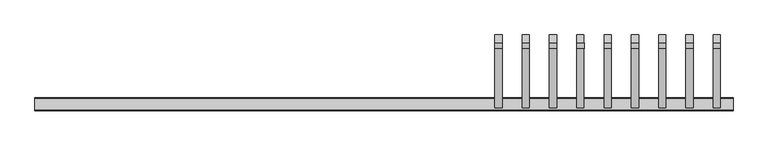
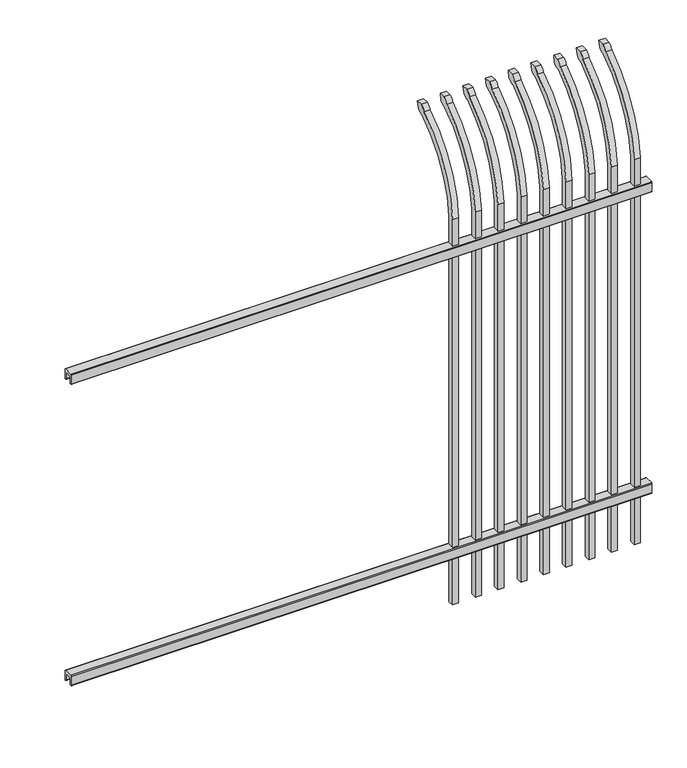
"""IFC4 building model written with IfcOpenShell, lengths in millimetres: railing geometry."""

from ifc_helpers import new_model, si_unit, point, frame, frame_2d, origin, place, context, project, spatial, polyline, circle_curve, ellipse_curve, trimmed, segment, composite_curve, outline, extrude, source, transform, mapped, element, save
from ifc_brep_helpers import plane_surface, cylinder_surface, revolved_surface, extruded_surface, advanced_brep


def railing_4c4e8188(model_context):
    return source(origin(), model_context, "Body", "SolidModel", [
        extrude(outline(composite_curve([segment(polyline([(13397.9139761, 304.8), (13435.969541, 304.8)]), True, "CONTINUOUS"), segment(trimmed(circle_curve(frame_2d((13435.969541, 301.625)), 3.175), [point((13435.969541, 304.8))], [point((13439.144541, 301.625))], False, "CARTESIAN"), True, "CONTINUOUS"), segment(polyline([(13439.144541, 301.625), (13439.144541, 262.1439893)]), True, "CONTINUOUS"), segment(trimmed(circle_curve(frame_2d((13437.3505518, 262.1439893)), 1.7939893), [point((13439.144541, 262.1439893))], [point((13437.3505518, 260.35))], False, "CARTESIAN"), True, "CONTINUOUS"), segment(polyline([(13437.3505518, 260.35), (13434.7590713, 260.35)]), True, "CONTINUOUS"), segment(trimmed(circle_curve(frame_2d((13434.7590713, 262.1359375)), 1.7859375), [point((13434.7590713, 260.35))], [point((13432.9755813, 262.0424688))], False, "CARTESIAN"), True, "CONTINUOUS"), segment(polyline([(13432.9755813, 262.0424688), (13431.4025867, 292.0569942), (13402.4364954, 292.0569942), (13400.8635007, 262.0424688)]), True, "CONTINUOUS"), segment(trimmed(circle_curve(frame_2d((13399.0800108, 262.1359375)), 1.7859375), [point((13400.8635007, 262.0424688))], [point((13399.0800108, 260.35))], False, "CARTESIAN"), True, "CONTINUOUS"), segment(polyline([(13399.0800108, 260.35), (13396.4804785, 260.35)]), True, "CONTINUOUS"), segment(trimmed(circle_curve(frame_2d((13396.4804785, 262.1359375)), 1.7859375), [point((13396.4804785, 260.35))], [point((13394.694541, 262.1359375))], False, "CARTESIAN"), True, "CONTINUOUS"), segment(polyline([(13394.694541, 262.1359375), (13394.694541, 301.5805649)]), True, "CONTINUOUS"), segment(trimmed(circle_curve(frame_2d((13397.9139761, 301.5805649)), 3.2194351), [point((13394.694541, 301.5805649))], [point((13397.9139761, 304.8))], False, "CARTESIAN"), True, "CONTINUOUS")], self_intersect=False)), frame((20019.7350064, 0.0, 0.0), z_axis=(1.0, 0.0, 0.0), x_axis=(0.0, 1.0, 0.0)), (0.0, 0.0, 1.0), 2438.4),
        extrude(outline(composite_curve([segment(polyline([(13397.9139761, 1641.475), (13435.969541, 1641.475)]), True, "CONTINUOUS"), segment(trimmed(circle_curve(frame_2d((13435.969541, 1638.3)), 3.175), [point((13435.969541, 1641.475))], [point((13439.144541, 1638.3))], False, "CARTESIAN"), True, "CONTINUOUS"), segment(polyline([(13439.144541, 1638.3), (13439.144541, 1598.8189893)]), True, "CONTINUOUS"), segment(trimmed(circle_curve(frame_2d((13437.3505518, 1598.8189893)), 1.7939893), [point((13439.144541, 1598.8189893))], [point((13437.3505518, 1597.025))], False, "CARTESIAN"), True, "CONTINUOUS"), segment(polyline([(13437.3505518, 1597.025), (13434.7590713, 1597.025)]), True, "CONTINUOUS"), segment(trimmed(circle_curve(frame_2d((13434.7590713, 1598.8109375)), 1.7859375), [point((13434.7590713, 1597.025))], [point((13432.9755813, 1598.7174688))], False, "CARTESIAN"), True, "CONTINUOUS"), segment(polyline([(13432.9755813, 1598.7174688), (13431.4025867, 1628.7319942), (13402.4364954, 1628.7319942), (13400.8635007, 1598.7174688)]), True, "CONTINUOUS"), segment(trimmed(circle_curve(frame_2d((13399.0800108, 1598.8109375)), 1.7859375), [point((13400.8635007, 1598.7174688))], [point((13399.0800108, 1597.025))], False, "CARTESIAN"), True, "CONTINUOUS"), segment(polyline([(13399.0800108, 1597.025), (13396.4804785, 1597.025)]), True, "CONTINUOUS"), segment(trimmed(circle_curve(frame_2d((13396.4804785, 1598.8109375)), 1.7859375), [point((13396.4804785, 1597.025))], [point((13394.694541, 1598.8109375))], False, "CARTESIAN"), True, "CONTINUOUS"), segment(polyline([(13394.694541, 1598.8109375), (13394.694541, 1638.2555649)]), True, "CONTINUOUS"), segment(trimmed(circle_curve(frame_2d((13397.9139761, 1638.2555649)), 3.2194351), [point((13394.694541, 1638.2555649))], [point((13397.9139761, 1641.475))], False, "CARTESIAN"), True, "CONTINUOUS")], self_intersect=False)), frame((20019.7350064, 0.0, 0.0), z_axis=(1.0, 0.0, 0.0), x_axis=(0.0, 1.0, 0.0)), (0.0, 0.0, 1.0), 2438.4),
        advanced_brep(
        [(22413.6850064, 13429.619541, 50.8), (22413.6850064, 13429.619541, 1759.1226889), (22413.6850064, 13626.7326851, 2091.3022378), (22413.6850064, 13653.2407099, 2105.9867549), (22413.6850064, 13659.1100864, 2133.6), (22413.6850064, 13630.8799449, 2133.6), (22413.6850064, 13611.4931591, 2112.6682561), (22413.6850064, 13404.219541, 1759.1226889), (22413.6850064, 13404.219541, 50.8), (22388.2850064, 13429.619541, 50.8), (22388.2850064, 13429.619541, 1759.1226889), (22388.2850064, 13404.219541, 1759.1226889), (22388.2850064, 13404.219541, 50.8), (22388.2850064, 13611.4931591, 2112.6682561), (22388.2850064, 13630.8799449, 2133.6), (22388.2850064, 13659.1100864, 2133.6), (22388.2850064, 13653.2407099, 2105.9867549), (22388.2850064, 13626.7326851, 2091.3022378)],
        [
            (0, 1),
            (1, 2, circle_curve(frame((22413.6850064, 13866.9874207, 1724.1640776), z_axis=(-1.0, 0.0, 0.0), x_axis=(0.0, 1.0, 0.0)), 438.7627681)),
            (2, 3, ellipse_curve(frame((22413.6850064, 13634.5579376, 2113.7180619), z_axis=(1.0, 0.0, 0.0), x_axis=(0.0, -0.7771459614569761, -0.6293203910498311)), 26.7460194, 19.05)),
            (3, 4),
            (4, 5),
            (5, 6, ellipse_curve(frame((22413.6850064, 13634.5579376, 2113.7180619), z_axis=(0.9999999999999999, 0.0, 0.0), x_axis=(0.0, -0.7771459614569769, -0.62932039104983)), 26.7460194, 19.05)),
            (6, 7, circle_curve(frame((22413.6850064, 13866.0333244, 1725.9065933), z_axis=(1.0, 0.0, 0.0), x_axis=(0.0, 1.0, 0.0)), 463.0067812)),
            (7, 8),
            (8, 0),
            (0, 9),
            (9, 10),
            (10, 1),
            (7, 11),
            (11, 12),
            (12, 8),
            (12, 9),
            (11, 13, circle_curve(frame((22388.2850064, 13866.0333244, 1725.9065933), z_axis=(-1.0, 0.0, 0.0), x_axis=(0.0, 1.0, 0.0)), 463.0067812)),
            (13, 14, ellipse_curve(frame((22388.2850064, 13634.5579376, 2113.7180619), z_axis=(-0.9999999999999999, 0.0, 0.0), x_axis=(0.0, -0.7771459614569769, -0.62932039104983)), 26.7460194, 19.05)),
            (14, 15),
            (15, 16),
            (16, 17, ellipse_curve(frame((22388.2850064, 13634.5579376, 2113.7180619), z_axis=(-1.0, 0.0, 0.0), x_axis=(0.0, -0.7771459614569761, -0.6293203910498311)), 26.7460194, 19.05)),
            (17, 10, circle_curve(frame((22388.2850064, 13866.9874207, 1724.1640776), z_axis=(1.0, 0.0, 0.0), x_axis=(0.0, 1.0, 0.0)), 438.7627681)),
            (17, 2),
            (16, 3),
            (15, 4),
            (14, 5),
            (13, 6),
        ],
        [
            plane_surface(frame((22413.6850064, 13429.619541, 50.8), z_axis=(1.0, 0.0, 0.0), x_axis=(0.0, 0.0, 1.0))),
            plane_surface(frame((22413.6850064, 13429.619541, 50.8), z_axis=(0.0, 1.0, 0.0), x_axis=(-1.0, 0.0, 0.0))),
            plane_surface(frame((22413.6850064, 13404.219541, 1759.1226889), z_axis=(0.0, -1.0, 0.0), x_axis=(-1.0, 0.0, 0.0))),
            plane_surface(frame((22413.6850064, 13404.219541, 50.8), z_axis=(0.0, 0.0, -1.0), x_axis=(-1.0, 0.0, 0.0))),
            plane_surface(frame((22388.2850064, 13429.619541, 50.8), z_axis=(-1.0, 0.0, 0.0), x_axis=(0.0, 0.0, -1.0))),
            revolved_surface(polyline([(22388.2850064, 14305.750188799999, 1724.1640776), (22413.6850064, 14305.750188799999, 1724.1640776)]), (22388.2850064, 13866.9874207, 1724.1640776), (-1.0, 0.0, 0.0)),
            extruded_surface(trimmed(ellipse_curve(frame((22362.8850064, 13634.5579376, 2113.7180619), z_axis=(1.0, 0.0, 0.0), x_axis=(0.0, -0.7771459614569761, -0.6293203910498311)), 26.7460194, 19.05), [point((22362.8850064, 13626.7326851, 2091.3022378))], [point((22362.8850064, 13653.2407099, 2105.9867549))], True, "CARTESIAN"), (25.400000000001455, 0.0, 0.0), 25.400000000001455),
            plane_surface(frame((22413.6850064, 13653.2407099, 2105.9867549), z_axis=(0.0, 0.9781476007338014, -0.20791169081777983), x_axis=(-1.0, 0.0, 0.0))),
            plane_surface(frame((22413.6850064, 13659.1100864, 2133.6), z_axis=(0.0, 0.0, 1.0), x_axis=(-1.0, 0.0, 0.0))),
            extruded_surface(trimmed(ellipse_curve(frame((22362.8850064, 13634.5579376, 2113.7180619), z_axis=(0.9999999999999999, 0.0, 0.0), x_axis=(0.0, -0.7771459614569769, -0.62932039104983)), 26.7460194, 19.05), [point((22362.8850064, 13630.8799449, 2133.6))], [point((22362.8850064, 13611.4931591, 2112.6682561))], True, "CARTESIAN"), (25.400000000001455, 0.0, 0.0), 25.400000000001455),
            cylinder_surface(frame((22388.2850064, 13866.0333244, 1725.9065933), z_axis=(1.0, 0.0, 0.0), x_axis=(0.0, 1.0, 0.0)), 463.0067812),
        ],
        [
            (0, [[1, 2, 3, 4, 5, 6, 7, 8, 9]]),
            (1, [[-1, 10, 11, 12]]),
            (2, [[-8, 13, 14, 15]]),
            (3, [[-9, -15, 16, -10]]),
            (4, [[-16, -14, 17, 18, 19, 20, 21, 22, -11]]),
            (5, [[-2, -12, -22, 23]]),
            (6, [[-3, -23, -21, 24]]),
            (7, [[-4, -24, -20, 25]]),
            (8, [[-5, -25, -19, 26]]),
            (9, [[-6, -26, -18, 27]]),
            (10, [[-7, -27, -17, -13]]),
        ],
    ),
        advanced_brep(
        [(22318.4350064, 13429.619541, 50.8), (22318.4350064, 13429.619541, 1759.1226889), (22318.4350064, 13626.7326851, 2091.3022378), (22318.4350064, 13653.2407099, 2105.9867549), (22318.4350064, 13659.1100864, 2133.6), (22318.4350064, 13630.8799449, 2133.6), (22318.4350064, 13611.4931591, 2112.6682561), (22318.4350064, 13404.219541, 1759.1226889), (22318.4350064, 13404.219541, 50.8), (22293.0350064, 13429.619541, 50.8), (22293.0350064, 13429.619541, 1759.1226889), (22293.0350064, 13404.219541, 1759.1226889), (22293.0350064, 13404.219541, 50.8), (22293.0350064, 13611.4931591, 2112.6682561), (22293.0350064, 13630.8799449, 2133.6), (22293.0350064, 13659.1100864, 2133.6), (22293.0350064, 13653.2407099, 2105.9867549), (22293.0350064, 13626.7326851, 2091.3022378)],
        [
            (0, 1),
            (1, 2, circle_curve(frame((22318.4350064, 13866.9874207, 1724.1640776), z_axis=(-1.0, 0.0, 0.0), x_axis=(0.0, 1.0, 0.0)), 438.7627681)),
            (2, 3, ellipse_curve(frame((22318.4350064, 13634.5579376, 2113.7180619), z_axis=(1.0, 0.0, 0.0), x_axis=(0.0, -0.7771459614569761, -0.6293203910498311)), 26.7460194, 19.05)),
            (3, 4),
            (4, 5),
            (5, 6, ellipse_curve(frame((22318.4350064, 13634.5579376, 2113.7180619), z_axis=(0.9999999999999999, 0.0, 0.0), x_axis=(0.0, -0.7771459614569769, -0.62932039104983)), 26.7460194, 19.05)),
            (6, 7, circle_curve(frame((22318.4350064, 13866.0333244, 1725.9065933), z_axis=(1.0, 0.0, 0.0), x_axis=(0.0, 1.0, 0.0)), 463.0067812)),
            (7, 8),
            (8, 0),
            (0, 9),
            (9, 10),
            (10, 1),
            (7, 11),
            (11, 12),
            (12, 8),
            (12, 9),
            (11, 13, circle_curve(frame((22293.0350064, 13866.0333244, 1725.9065933), z_axis=(-1.0, 0.0, 0.0), x_axis=(0.0, 1.0, 0.0)), 463.0067812)),
            (13, 14, ellipse_curve(frame((22293.0350064, 13634.5579376, 2113.7180619), z_axis=(-0.9999999999999999, 0.0, 0.0), x_axis=(0.0, -0.7771459614569769, -0.62932039104983)), 26.7460194, 19.05)),
            (14, 15),
            (15, 16),
            (16, 17, ellipse_curve(frame((22293.0350064, 13634.5579376, 2113.7180619), z_axis=(-1.0, 0.0, 0.0), x_axis=(0.0, -0.7771459614569761, -0.6293203910498311)), 26.7460194, 19.05)),
            (17, 10, circle_curve(frame((22293.0350064, 13866.9874207, 1724.1640776), z_axis=(1.0, 0.0, 0.0), x_axis=(0.0, 1.0, 0.0)), 438.7627681)),
            (17, 2),
            (16, 3),
            (15, 4),
            (14, 5),
            (13, 6),
        ],
        [
            plane_surface(frame((22318.4350064, 13429.619541, 50.8), z_axis=(1.0, 0.0, 0.0), x_axis=(0.0, 0.0, 1.0))),
            plane_surface(frame((22318.4350064, 13429.619541, 50.8), z_axis=(0.0, 1.0, 0.0), x_axis=(-1.0, 0.0, 0.0))),
            plane_surface(frame((22318.4350064, 13404.219541, 1759.1226889), z_axis=(0.0, -1.0, 0.0), x_axis=(-1.0, 0.0, 0.0))),
            plane_surface(frame((22318.4350064, 13404.219541, 50.8), z_axis=(0.0, 0.0, -1.0), x_axis=(-1.0, 0.0, 0.0))),
            plane_surface(frame((22293.0350064, 13429.619541, 50.8), z_axis=(-1.0, 0.0, 0.0), x_axis=(0.0, 0.0, -1.0))),
            revolved_surface(polyline([(22293.0350064, 14305.750188799999, 1724.1640776), (22318.4350064, 14305.750188799999, 1724.1640776)]), (22293.0350064, 13866.9874207, 1724.1640776), (-1.0, 0.0, 0.0)),
            extruded_surface(trimmed(ellipse_curve(frame((22267.6350064, 13634.5579376, 2113.7180619), z_axis=(1.0, 0.0, 0.0), x_axis=(0.0, -0.7771459614569761, -0.6293203910498311)), 26.7460194, 19.05), [point((22267.6350064, 13626.7326851, 2091.3022378))], [point((22267.6350064, 13653.2407099, 2105.9867549))], True, "CARTESIAN"), (25.400000000001455, 0.0, 0.0), 25.400000000001455),
            plane_surface(frame((22318.4350064, 13653.2407099, 2105.9867549), z_axis=(0.0, 0.9781476007338014, -0.20791169081777983), x_axis=(-1.0, 0.0, 0.0))),
            plane_surface(frame((22318.4350064, 13659.1100864, 2133.6), z_axis=(0.0, 0.0, 1.0), x_axis=(-1.0, 0.0, 0.0))),
            extruded_surface(trimmed(ellipse_curve(frame((22267.6350064, 13634.5579376, 2113.7180619), z_axis=(0.9999999999999999, 0.0, 0.0), x_axis=(0.0, -0.7771459614569769, -0.62932039104983)), 26.7460194, 19.05), [point((22267.6350064, 13630.8799449, 2133.6))], [point((22267.6350064, 13611.4931591, 2112.6682561))], True, "CARTESIAN"), (25.400000000001455, 0.0, 0.0), 25.400000000001455),
            cylinder_surface(frame((22293.0350064, 13866.0333244, 1725.9065933), z_axis=(1.0, 0.0, 0.0), x_axis=(0.0, 1.0, 0.0)), 463.0067812),
        ],
        [
            (0, [[1, 2, 3, 4, 5, 6, 7, 8, 9]]),
            (1, [[-1, 10, 11, 12]]),
            (2, [[-8, 13, 14, 15]]),
            (3, [[-9, -15, 16, -10]]),
            (4, [[-16, -14, 17, 18, 19, 20, 21, 22, -11]]),
            (5, [[-2, -12, -22, 23]]),
            (6, [[-3, -23, -21, 24]]),
            (7, [[-4, -24, -20, 25]]),
            (8, [[-5, -25, -19, 26]]),
            (9, [[-6, -26, -18, 27]]),
            (10, [[-7, -27, -17, -13]]),
        ],
    ),
        advanced_brep(
        [(22223.1850064, 13429.619541, 50.8), (22223.1850064, 13429.619541, 1759.1226889), (22223.1850064, 13626.7326851, 2091.3022378), (22223.1850064, 13653.2407099, 2105.9867549), (22223.1850064, 13659.1100864, 2133.6), (22223.1850064, 13630.8799449, 2133.6), (22223.1850064, 13611.4931591, 2112.6682561), (22223.1850064, 13404.219541, 1759.1226889), (22223.1850064, 13404.219541, 50.8), (22197.7850064, 13429.619541, 50.8), (22197.7850064, 13429.619541, 1759.1226889), (22197.7850064, 13404.219541, 1759.1226889), (22197.7850064, 13404.219541, 50.8), (22197.7850064, 13611.4931591, 2112.6682561), (22197.7850064, 13630.8799449, 2133.6), (22197.7850064, 13659.1100864, 2133.6), (22197.7850064, 13653.2407099, 2105.9867549), (22197.7850064, 13626.7326851, 2091.3022378)],
        [
            (0, 1),
            (1, 2, circle_curve(frame((22223.1850064, 13866.9874207, 1724.1640776), z_axis=(-1.0, 0.0, 0.0), x_axis=(0.0, 1.0, 0.0)), 438.7627681)),
            (2, 3, ellipse_curve(frame((22223.1850064, 13634.5579376, 2113.7180619), z_axis=(1.0, 0.0, 0.0), x_axis=(0.0, -0.7771459614569761, -0.6293203910498311)), 26.7460194, 19.05)),
            (3, 4),
            (4, 5),
            (5, 6, ellipse_curve(frame((22223.1850064, 13634.5579376, 2113.7180619), z_axis=(0.9999999999999999, 0.0, 0.0), x_axis=(0.0, -0.7771459614569769, -0.62932039104983)), 26.7460194, 19.05)),
            (6, 7, circle_curve(frame((22223.1850064, 13866.0333244, 1725.9065933), z_axis=(1.0, 0.0, 0.0), x_axis=(0.0, 1.0, 0.0)), 463.0067812)),
            (7, 8),
            (8, 0),
            (0, 9),
            (9, 10),
            (10, 1),
            (7, 11),
            (11, 12),
            (12, 8),
            (12, 9),
            (11, 13, circle_curve(frame((22197.7850064, 13866.0333244, 1725.9065933), z_axis=(-1.0, 0.0, 0.0), x_axis=(0.0, 1.0, 0.0)), 463.0067812)),
            (13, 14, ellipse_curve(frame((22197.7850064, 13634.5579376, 2113.7180619), z_axis=(-0.9999999999999999, 0.0, 0.0), x_axis=(0.0, -0.7771459614569769, -0.62932039104983)), 26.7460194, 19.05)),
            (14, 15),
            (15, 16),
            (16, 17, ellipse_curve(frame((22197.7850064, 13634.5579376, 2113.7180619), z_axis=(-1.0, 0.0, 0.0), x_axis=(0.0, -0.7771459614569761, -0.6293203910498311)), 26.7460194, 19.05)),
            (17, 10, circle_curve(frame((22197.7850064, 13866.9874207, 1724.1640776), z_axis=(1.0, 0.0, 0.0), x_axis=(0.0, 1.0, 0.0)), 438.7627681)),
            (17, 2),
            (16, 3),
            (15, 4),
            (14, 5),
            (13, 6),
        ],
        [
            plane_surface(frame((22223.1850064, 13429.619541, 50.8), z_axis=(1.0, 0.0, 0.0), x_axis=(0.0, 0.0, 1.0))),
            plane_surface(frame((22223.1850064, 13429.619541, 50.8), z_axis=(0.0, 1.0, 0.0), x_axis=(-1.0, 0.0, 0.0))),
            plane_surface(frame((22223.1850064, 13404.219541, 1759.1226889), z_axis=(0.0, -1.0, 0.0), x_axis=(-1.0, 0.0, 0.0))),
            plane_surface(frame((22223.1850064, 13404.219541, 50.8), z_axis=(0.0, 0.0, -1.0), x_axis=(-1.0, 0.0, 0.0))),
            plane_surface(frame((22197.7850064, 13429.619541, 50.8), z_axis=(-1.0, 0.0, 0.0), x_axis=(0.0, 0.0, -1.0))),
            revolved_surface(polyline([(22197.7850064, 14305.750188799999, 1724.1640776), (22223.1850064, 14305.750188799999, 1724.1640776)]), (22197.7850064, 13866.9874207, 1724.1640776), (-1.0, 0.0, 0.0)),
            extruded_surface(trimmed(ellipse_curve(frame((22172.3850064, 13634.5579376, 2113.7180619), z_axis=(1.0, 0.0, 0.0), x_axis=(0.0, -0.7771459614569761, -0.6293203910498311)), 26.7460194, 19.05), [point((22172.3850064, 13626.7326851, 2091.3022378))], [point((22172.3850064, 13653.2407099, 2105.9867549))], True, "CARTESIAN"), (25.400000000001455, 0.0, 0.0), 25.400000000001455),
            plane_surface(frame((22223.1850064, 13653.2407099, 2105.9867549), z_axis=(0.0, 0.9781476007338014, -0.20791169081777983), x_axis=(-1.0, 0.0, 0.0))),
            plane_surface(frame((22223.1850064, 13659.1100864, 2133.6), z_axis=(0.0, 0.0, 1.0), x_axis=(-1.0, 0.0, 0.0))),
            extruded_surface(trimmed(ellipse_curve(frame((22172.3850064, 13634.5579376, 2113.7180619), z_axis=(0.9999999999999999, 0.0, 0.0), x_axis=(0.0, -0.7771459614569769, -0.62932039104983)), 26.7460194, 19.05), [point((22172.3850064, 13630.8799449, 2133.6))], [point((22172.3850064, 13611.4931591, 2112.6682561))], True, "CARTESIAN"), (25.400000000001455, 0.0, 0.0), 25.400000000001455),
            cylinder_surface(frame((22197.7850064, 13866.0333244, 1725.9065933), z_axis=(1.0, 0.0, 0.0), x_axis=(0.0, 1.0, 0.0)), 463.0067812),
        ],
        [
            (0, [[1, 2, 3, 4, 5, 6, 7, 8, 9]]),
            (1, [[-1, 10, 11, 12]]),
            (2, [[-8, 13, 14, 15]]),
            (3, [[-9, -15, 16, -10]]),
            (4, [[-16, -14, 17, 18, 19, 20, 21, 22, -11]]),
            (5, [[-2, -12, -22, 23]]),
            (6, [[-3, -23, -21, 24]]),
            (7, [[-4, -24, -20, 25]]),
            (8, [[-5, -25, -19, 26]]),
            (9, [[-6, -26, -18, 27]]),
            (10, [[-7, -27, -17, -13]]),
        ],
    ),
        advanced_brep(
        [(22127.9350064, 13429.619541, 50.8), (22127.9350064, 13429.619541, 1759.1226889), (22127.9350064, 13626.7326851, 2091.3022378), (22127.9350064, 13653.2407099, 2105.9867549), (22127.9350064, 13659.1100864, 2133.6), (22127.9350064, 13630.8799449, 2133.6), (22127.9350064, 13611.4931591, 2112.6682561), (22127.9350064, 13404.219541, 1759.1226889), (22127.9350064, 13404.219541, 50.8), (22102.5350064, 13429.619541, 50.8), (22102.5350064, 13429.619541, 1759.1226889), (22102.5350064, 13404.219541, 1759.1226889), (22102.5350064, 13404.219541, 50.8), (22102.5350064, 13611.4931591, 2112.6682561), (22102.5350064, 13630.8799449, 2133.6), (22102.5350064, 13659.1100864, 2133.6), (22102.5350064, 13653.2407099, 2105.9867549), (22102.5350064, 13626.7326851, 2091.3022378)],
        [
            (0, 1),
            (1, 2, circle_curve(frame((22127.9350064, 13866.9874207, 1724.1640776), z_axis=(-1.0, 0.0, 0.0), x_axis=(0.0, 1.0, 0.0)), 438.7627681)),
            (2, 3, ellipse_curve(frame((22127.9350064, 13634.5579376, 2113.7180619), z_axis=(1.0, 0.0, 0.0), x_axis=(0.0, -0.7771459614569761, -0.6293203910498311)), 26.7460194, 19.05)),
            (3, 4),
            (4, 5),
            (5, 6, ellipse_curve(frame((22127.9350064, 13634.5579376, 2113.7180619), z_axis=(0.9999999999999999, 0.0, 0.0), x_axis=(0.0, -0.7771459614569769, -0.62932039104983)), 26.7460194, 19.05)),
            (6, 7, circle_curve(frame((22127.9350064, 13866.0333244, 1725.9065933), z_axis=(1.0, 0.0, 0.0), x_axis=(0.0, 1.0, 0.0)), 463.0067812)),
            (7, 8),
            (8, 0),
            (0, 9),
            (9, 10),
            (10, 1),
            (7, 11),
            (11, 12),
            (12, 8),
            (12, 9),
            (11, 13, circle_curve(frame((22102.5350064, 13866.0333244, 1725.9065933), z_axis=(-1.0, 0.0, 0.0), x_axis=(0.0, 1.0, 0.0)), 463.0067812)),
            (13, 14, ellipse_curve(frame((22102.5350064, 13634.5579376, 2113.7180619), z_axis=(-0.9999999999999999, 0.0, 0.0), x_axis=(0.0, -0.7771459614569769, -0.62932039104983)), 26.7460194, 19.05)),
            (14, 15),
            (15, 16),
            (16, 17, ellipse_curve(frame((22102.5350064, 13634.5579376, 2113.7180619), z_axis=(-1.0, 0.0, 0.0), x_axis=(0.0, -0.7771459614569761, -0.6293203910498311)), 26.7460194, 19.05)),
            (17, 10, circle_curve(frame((22102.5350064, 13866.9874207, 1724.1640776), z_axis=(1.0, 0.0, 0.0), x_axis=(0.0, 1.0, 0.0)), 438.7627681)),
            (17, 2),
            (16, 3),
            (15, 4),
            (14, 5),
            (13, 6),
        ],
        [
            plane_surface(frame((22127.9350064, 13429.619541, 50.8), z_axis=(1.0, 0.0, 0.0), x_axis=(0.0, 0.0, 1.0))),
            plane_surface(frame((22127.9350064, 13429.619541, 50.8), z_axis=(0.0, 1.0, 0.0), x_axis=(-1.0, 0.0, 0.0))),
            plane_surface(frame((22127.9350064, 13404.219541, 1759.1226889), z_axis=(0.0, -1.0, 0.0), x_axis=(-1.0, 0.0, 0.0))),
            plane_surface(frame((22127.9350064, 13404.219541, 50.8), z_axis=(0.0, 0.0, -1.0), x_axis=(-1.0, 0.0, 0.0))),
            plane_surface(frame((22102.5350064, 13429.619541, 50.8), z_axis=(-1.0, 0.0, 0.0), x_axis=(0.0, 0.0, -1.0))),
            revolved_surface(polyline([(22102.5350064, 14305.750188799999, 1724.1640776), (22127.9350064, 14305.750188799999, 1724.1640776)]), (22102.5350064, 13866.9874207, 1724.1640776), (-1.0, 0.0, 0.0)),
            extruded_surface(trimmed(ellipse_curve(frame((22077.1350064, 13634.5579376, 2113.7180619), z_axis=(1.0, 0.0, 0.0), x_axis=(0.0, -0.7771459614569761, -0.6293203910498311)), 26.7460194, 19.05), [point((22077.1350064, 13626.7326851, 2091.3022378))], [point((22077.1350064, 13653.2407099, 2105.9867549))], True, "CARTESIAN"), (25.400000000001455, 0.0, 0.0), 25.400000000001455),
            plane_surface(frame((22127.9350064, 13653.2407099, 2105.9867549), z_axis=(0.0, 0.9781476007338014, -0.20791169081777983), x_axis=(-1.0, 0.0, 0.0))),
            plane_surface(frame((22127.9350064, 13659.1100864, 2133.6), z_axis=(0.0, 0.0, 1.0), x_axis=(-1.0, 0.0, 0.0))),
            extruded_surface(trimmed(ellipse_curve(frame((22077.1350064, 13634.5579376, 2113.7180619), z_axis=(0.9999999999999999, 0.0, 0.0), x_axis=(0.0, -0.7771459614569769, -0.62932039104983)), 26.7460194, 19.05), [point((22077.1350064, 13630.8799449, 2133.6))], [point((22077.1350064, 13611.4931591, 2112.6682561))], True, "CARTESIAN"), (25.400000000001455, 0.0, 0.0), 25.400000000001455),
            cylinder_surface(frame((22102.5350064, 13866.0333244, 1725.9065933), z_axis=(1.0, 0.0, 0.0), x_axis=(0.0, 1.0, 0.0)), 463.0067812),
        ],
        [
            (0, [[1, 2, 3, 4, 5, 6, 7, 8, 9]]),
            (1, [[-1, 10, 11, 12]]),
            (2, [[-8, 13, 14, 15]]),
            (3, [[-9, -15, 16, -10]]),
            (4, [[-16, -14, 17, 18, 19, 20, 21, 22, -11]]),
            (5, [[-2, -12, -22, 23]]),
            (6, [[-3, -23, -21, 24]]),
            (7, [[-4, -24, -20, 25]]),
            (8, [[-5, -25, -19, 26]]),
            (9, [[-6, -26, -18, 27]]),
            (10, [[-7, -27, -17, -13]]),
        ],
    ),
        advanced_brep(
        [(22032.6850064, 13429.619541, 50.8), (22032.6850064, 13429.619541, 1759.1226889), (22032.6850064, 13626.7326851, 2091.3022378), (22032.6850064, 13653.2407099, 2105.9867549), (22032.6850064, 13659.1100864, 2133.6), (22032.6850064, 13630.8799449, 2133.6), (22032.6850064, 13611.4931591, 2112.6682561), (22032.6850064, 13404.219541, 1759.1226889), (22032.6850064, 13404.219541, 50.8), (22007.2850064, 13429.619541, 50.8), (22007.2850064, 13429.619541, 1759.1226889), (22007.2850064, 13404.219541, 1759.1226889), (22007.2850064, 13404.219541, 50.8), (22007.2850064, 13611.4931591, 2112.6682561), (22007.2850064, 13630.8799449, 2133.6), (22007.2850064, 13659.1100864, 2133.6), (22007.2850064, 13653.2407099, 2105.9867549), (22007.2850064, 13626.7326851, 2091.3022378)],
        [
            (0, 1),
            (1, 2, circle_curve(frame((22032.6850064, 13866.9874207, 1724.1640776), z_axis=(-1.0, 0.0, 0.0), x_axis=(0.0, 1.0, 0.0)), 438.7627681)),
            (2, 3, ellipse_curve(frame((22032.6850064, 13634.5579376, 2113.7180619), z_axis=(1.0, 0.0, 0.0), x_axis=(0.0, -0.7771459614569761, -0.6293203910498311)), 26.7460194, 19.05)),
            (3, 4),
            (4, 5),
            (5, 6, ellipse_curve(frame((22032.6850064, 13634.5579376, 2113.7180619), z_axis=(0.9999999999999999, 0.0, 0.0), x_axis=(0.0, -0.7771459614569769, -0.62932039104983)), 26.7460194, 19.05)),
            (6, 7, circle_curve(frame((22032.6850064, 13866.0333244, 1725.9065933), z_axis=(1.0, 0.0, 0.0), x_axis=(0.0, 1.0, 0.0)), 463.0067812)),
            (7, 8),
            (8, 0),
            (0, 9),
            (9, 10),
            (10, 1),
            (7, 11),
            (11, 12),
            (12, 8),
            (12, 9),
            (11, 13, circle_curve(frame((22007.2850064, 13866.0333244, 1725.9065933), z_axis=(-1.0, 0.0, 0.0), x_axis=(0.0, 1.0, 0.0)), 463.0067812)),
            (13, 14, ellipse_curve(frame((22007.2850064, 13634.5579376, 2113.7180619), z_axis=(-0.9999999999999999, 0.0, 0.0), x_axis=(0.0, -0.7771459614569769, -0.62932039104983)), 26.7460194, 19.05)),
            (14, 15),
            (15, 16),
            (16, 17, ellipse_curve(frame((22007.2850064, 13634.5579376, 2113.7180619), z_axis=(-1.0, 0.0, 0.0), x_axis=(0.0, -0.7771459614569761, -0.6293203910498311)), 26.7460194, 19.05)),
            (17, 10, circle_curve(frame((22007.2850064, 13866.9874207, 1724.1640776), z_axis=(1.0, 0.0, 0.0), x_axis=(0.0, 1.0, 0.0)), 438.7627681)),
            (17, 2),
            (16, 3),
            (15, 4),
            (14, 5),
            (13, 6),
        ],
        [
            plane_surface(frame((22032.6850064, 13429.619541, 50.8), z_axis=(1.0, 0.0, 0.0), x_axis=(0.0, 0.0, 1.0))),
            plane_surface(frame((22032.6850064, 13429.619541, 50.8), z_axis=(0.0, 1.0, 0.0), x_axis=(-1.0, 0.0, 0.0))),
            plane_surface(frame((22032.6850064, 13404.219541, 1759.1226889), z_axis=(0.0, -1.0, 0.0), x_axis=(-1.0, 0.0, 0.0))),
            plane_surface(frame((22032.6850064, 13404.219541, 50.8), z_axis=(0.0, 0.0, -1.0), x_axis=(-1.0, 0.0, 0.0))),
            plane_surface(frame((22007.2850064, 13429.619541, 50.8), z_axis=(-1.0, 0.0, 0.0), x_axis=(0.0, 0.0, -1.0))),
            revolved_surface(polyline([(22007.2850064, 14305.750188799999, 1724.1640776), (22032.6850064, 14305.750188799999, 1724.1640776)]), (22007.2850064, 13866.9874207, 1724.1640776), (-1.0, 0.0, 0.0)),
            extruded_surface(trimmed(ellipse_curve(frame((21981.8850064, 13634.5579376, 2113.7180619), z_axis=(1.0, 0.0, 0.0), x_axis=(0.0, -0.7771459614569761, -0.6293203910498311)), 26.7460194, 19.05), [point((21981.8850064, 13626.7326851, 2091.3022378))], [point((21981.8850064, 13653.2407099, 2105.9867549))], True, "CARTESIAN"), (25.400000000001455, 0.0, 0.0), 25.400000000001455),
            plane_surface(frame((22032.6850064, 13653.2407099, 2105.9867549), z_axis=(0.0, 0.9781476007338014, -0.20791169081777983), x_axis=(-1.0, 0.0, 0.0))),
            plane_surface(frame((22032.6850064, 13659.1100864, 2133.6), z_axis=(0.0, 0.0, 1.0), x_axis=(-1.0, 0.0, 0.0))),
            extruded_surface(trimmed(ellipse_curve(frame((21981.8850064, 13634.5579376, 2113.7180619), z_axis=(0.9999999999999999, 0.0, 0.0), x_axis=(0.0, -0.7771459614569769, -0.62932039104983)), 26.7460194, 19.05), [point((21981.8850064, 13630.8799449, 2133.6))], [point((21981.8850064, 13611.4931591, 2112.6682561))], True, "CARTESIAN"), (25.400000000001455, 0.0, 0.0), 25.400000000001455),
            cylinder_surface(frame((22007.2850064, 13866.0333244, 1725.9065933), z_axis=(1.0, 0.0, 0.0), x_axis=(0.0, 1.0, 0.0)), 463.0067812),
        ],
        [
            (0, [[1, 2, 3, 4, 5, 6, 7, 8, 9]]),
            (1, [[-1, 10, 11, 12]]),
            (2, [[-8, 13, 14, 15]]),
            (3, [[-9, -15, 16, -10]]),
            (4, [[-16, -14, 17, 18, 19, 20, 21, 22, -11]]),
            (5, [[-2, -12, -22, 23]]),
            (6, [[-3, -23, -21, 24]]),
            (7, [[-4, -24, -20, 25]]),
            (8, [[-5, -25, -19, 26]]),
            (9, [[-6, -26, -18, 27]]),
            (10, [[-7, -27, -17, -13]]),
        ],
    ),
        advanced_brep(
        [(21937.4350064, 13429.619541, 50.8), (21937.4350064, 13429.619541, 1759.1226889), (21937.4350064, 13626.7326851, 2091.3022378), (21937.4350064, 13653.2407099, 2105.9867549), (21937.4350064, 13659.1100864, 2133.6), (21937.4350064, 13630.8799449, 2133.6), (21937.4350064, 13611.4931591, 2112.6682561), (21937.4350064, 13404.219541, 1759.1226889), (21937.4350064, 13404.219541, 50.8), (21912.0350064, 13429.619541, 50.8), (21912.0350064, 13429.619541, 1759.1226889), (21912.0350064, 13404.219541, 1759.1226889), (21912.0350064, 13404.219541, 50.8), (21912.0350064, 13611.4931591, 2112.6682561), (21912.0350064, 13630.8799449, 2133.6), (21912.0350064, 13659.1100864, 2133.6), (21912.0350064, 13653.2407099, 2105.9867549), (21912.0350064, 13626.7326851, 2091.3022378)],
        [
            (0, 1),
            (1, 2, circle_curve(frame((21937.4350064, 13866.9874207, 1724.1640776), z_axis=(-1.0, 0.0, 0.0), x_axis=(0.0, 1.0, 0.0)), 438.7627681)),
            (2, 3, ellipse_curve(frame((21937.4350064, 13634.5579376, 2113.7180619), z_axis=(1.0, 0.0, 0.0), x_axis=(0.0, -0.7771459614569761, -0.6293203910498311)), 26.7460194, 19.05)),
            (3, 4),
            (4, 5),
            (5, 6, ellipse_curve(frame((21937.4350064, 13634.5579376, 2113.7180619), z_axis=(0.9999999999999999, 0.0, 0.0), x_axis=(0.0, -0.7771459614569769, -0.62932039104983)), 26.7460194, 19.05)),
            (6, 7, circle_curve(frame((21937.4350064, 13866.0333244, 1725.9065933), z_axis=(1.0, 0.0, 0.0), x_axis=(0.0, 1.0, 0.0)), 463.0067812)),
            (7, 8),
            (8, 0),
            (0, 9),
            (9, 10),
            (10, 1),
            (7, 11),
            (11, 12),
            (12, 8),
            (12, 9),
            (11, 13, circle_curve(frame((21912.0350064, 13866.0333244, 1725.9065933), z_axis=(-1.0, 0.0, 0.0), x_axis=(0.0, 1.0, 0.0)), 463.0067812)),
            (13, 14, ellipse_curve(frame((21912.0350064, 13634.5579376, 2113.7180619), z_axis=(-0.9999999999999999, 0.0, 0.0), x_axis=(0.0, -0.7771459614569769, -0.62932039104983)), 26.7460194, 19.05)),
            (14, 15),
            (15, 16),
            (16, 17, ellipse_curve(frame((21912.0350064, 13634.5579376, 2113.7180619), z_axis=(-1.0, 0.0, 0.0), x_axis=(0.0, -0.7771459614569761, -0.6293203910498311)), 26.7460194, 19.05)),
            (17, 10, circle_curve(frame((21912.0350064, 13866.9874207, 1724.1640776), z_axis=(1.0, 0.0, 0.0), x_axis=(0.0, 1.0, 0.0)), 438.7627681)),
            (17, 2),
            (16, 3),
            (15, 4),
            (14, 5),
            (13, 6),
        ],
        [
            plane_surface(frame((21937.4350064, 13429.619541, 50.8), z_axis=(1.0, 0.0, 0.0), x_axis=(0.0, 0.0, 1.0))),
            plane_surface(frame((21937.4350064, 13429.619541, 50.8), z_axis=(0.0, 1.0, 0.0), x_axis=(-1.0, 0.0, 0.0))),
            plane_surface(frame((21937.4350064, 13404.219541, 1759.1226889), z_axis=(0.0, -1.0, 0.0), x_axis=(-1.0, 0.0, 0.0))),
            plane_surface(frame((21937.4350064, 13404.219541, 50.8), z_axis=(0.0, 0.0, -1.0), x_axis=(-1.0, 0.0, 0.0))),
            plane_surface(frame((21912.0350064, 13429.619541, 50.8), z_axis=(-1.0, 0.0, 0.0), x_axis=(0.0, 0.0, -1.0))),
            revolved_surface(polyline([(21912.0350064, 14305.750188799999, 1724.1640776), (21937.4350064, 14305.750188799999, 1724.1640776)]), (21912.0350064, 13866.9874207, 1724.1640776), (-1.0, 0.0, 0.0)),
            extruded_surface(trimmed(ellipse_curve(frame((21886.6350064, 13634.5579376, 2113.7180619), z_axis=(1.0, 0.0, 0.0), x_axis=(0.0, -0.7771459614569761, -0.6293203910498311)), 26.7460194, 19.05), [point((21886.6350064, 13626.7326851, 2091.3022378))], [point((21886.6350064, 13653.2407099, 2105.9867549))], True, "CARTESIAN"), (25.400000000001455, 0.0, 0.0), 25.400000000001455),
            plane_surface(frame((21937.4350064, 13653.2407099, 2105.9867549), z_axis=(0.0, 0.9781476007338014, -0.20791169081777983), x_axis=(-1.0, 0.0, 0.0))),
            plane_surface(frame((21937.4350064, 13659.1100864, 2133.6), z_axis=(0.0, 0.0, 1.0), x_axis=(-1.0, 0.0, 0.0))),
            extruded_surface(trimmed(ellipse_curve(frame((21886.6350064, 13634.5579376, 2113.7180619), z_axis=(0.9999999999999999, 0.0, 0.0), x_axis=(0.0, -0.7771459614569769, -0.62932039104983)), 26.7460194, 19.05), [point((21886.6350064, 13630.8799449, 2133.6))], [point((21886.6350064, 13611.4931591, 2112.6682561))], True, "CARTESIAN"), (25.400000000001455, 0.0, 0.0), 25.400000000001455),
            cylinder_surface(frame((21912.0350064, 13866.0333244, 1725.9065933), z_axis=(1.0, 0.0, 0.0), x_axis=(0.0, 1.0, 0.0)), 463.0067812),
        ],
        [
            (0, [[1, 2, 3, 4, 5, 6, 7, 8, 9]]),
            (1, [[-1, 10, 11, 12]]),
            (2, [[-8, 13, 14, 15]]),
            (3, [[-9, -15, 16, -10]]),
            (4, [[-16, -14, 17, 18, 19, 20, 21, 22, -11]]),
            (5, [[-2, -12, -22, 23]]),
            (6, [[-3, -23, -21, 24]]),
            (7, [[-4, -24, -20, 25]]),
            (8, [[-5, -25, -19, 26]]),
            (9, [[-6, -26, -18, 27]]),
            (10, [[-7, -27, -17, -13]]),
        ],
    ),
        advanced_brep(
        [(21842.1850064, 13429.619541, 50.8), (21842.1850064, 13429.619541, 1759.1226889), (21842.1850064, 13626.7326851, 2091.3022378), (21842.1850064, 13653.2407099, 2105.9867549), (21842.1850064, 13659.1100864, 2133.6), (21842.1850064, 13630.8799449, 2133.6), (21842.1850064, 13611.4931591, 2112.6682561), (21842.1850064, 13404.219541, 1759.1226889), (21842.1850064, 13404.219541, 50.8), (21816.7850064, 13429.619541, 50.8), (21816.7850064, 13429.619541, 1759.1226889), (21816.7850064, 13404.219541, 1759.1226889), (21816.7850064, 13404.219541, 50.8), (21816.7850064, 13611.4931591, 2112.6682561), (21816.7850064, 13630.8799449, 2133.6), (21816.7850064, 13659.1100864, 2133.6), (21816.7850064, 13653.2407099, 2105.9867549), (21816.7850064, 13626.7326851, 2091.3022378)],
        [
            (0, 1),
            (1, 2, circle_curve(frame((21842.1850064, 13866.9874207, 1724.1640776), z_axis=(-1.0, 0.0, 0.0), x_axis=(0.0, 1.0, 0.0)), 438.7627681)),
            (2, 3, ellipse_curve(frame((21842.1850064, 13634.5579376, 2113.7180619), z_axis=(1.0, 0.0, 0.0), x_axis=(0.0, -0.7771459614569761, -0.6293203910498311)), 26.7460194, 19.05)),
            (3, 4),
            (4, 5),
            (5, 6, ellipse_curve(frame((21842.1850064, 13634.5579376, 2113.7180619), z_axis=(0.9999999999999999, 0.0, 0.0), x_axis=(0.0, -0.7771459614569769, -0.62932039104983)), 26.7460194, 19.05)),
            (6, 7, circle_curve(frame((21842.1850064, 13866.0333244, 1725.9065933), z_axis=(1.0, 0.0, 0.0), x_axis=(0.0, 1.0, 0.0)), 463.0067812)),
            (7, 8),
            (8, 0),
            (0, 9),
            (9, 10),
            (10, 1),
            (7, 11),
            (11, 12),
            (12, 8),
            (12, 9),
            (11, 13, circle_curve(frame((21816.7850064, 13866.0333244, 1725.9065933), z_axis=(-1.0, 0.0, 0.0), x_axis=(0.0, 1.0, 0.0)), 463.0067812)),
            (13, 14, ellipse_curve(frame((21816.7850064, 13634.5579376, 2113.7180619), z_axis=(-0.9999999999999999, 0.0, 0.0), x_axis=(0.0, -0.7771459614569769, -0.62932039104983)), 26.7460194, 19.05)),
            (14, 15),
            (15, 16),
            (16, 17, ellipse_curve(frame((21816.7850064, 13634.5579376, 2113.7180619), z_axis=(-1.0, 0.0, 0.0), x_axis=(0.0, -0.7771459614569761, -0.6293203910498311)), 26.7460194, 19.05)),
            (17, 10, circle_curve(frame((21816.7850064, 13866.9874207, 1724.1640776), z_axis=(1.0, 0.0, 0.0), x_axis=(0.0, 1.0, 0.0)), 438.7627681)),
            (17, 2),
            (16, 3),
            (15, 4),
            (14, 5),
            (13, 6),
        ],
        [
            plane_surface(frame((21842.1850064, 13429.619541, 50.8), z_axis=(1.0, 0.0, 0.0), x_axis=(0.0, 0.0, 1.0))),
            plane_surface(frame((21842.1850064, 13429.619541, 50.8), z_axis=(0.0, 1.0, 0.0), x_axis=(-1.0, 0.0, 0.0))),
            plane_surface(frame((21842.1850064, 13404.219541, 1759.1226889), z_axis=(0.0, -1.0, 0.0), x_axis=(-1.0, 0.0, 0.0))),
            plane_surface(frame((21842.1850064, 13404.219541, 50.8), z_axis=(0.0, 0.0, -1.0), x_axis=(-1.0, 0.0, 0.0))),
            plane_surface(frame((21816.7850064, 13429.619541, 50.8), z_axis=(-1.0, 0.0, 0.0), x_axis=(0.0, 0.0, -1.0))),
            revolved_surface(polyline([(21816.7850064, 14305.750188799999, 1724.1640776), (21842.1850064, 14305.750188799999, 1724.1640776)]), (21816.7850064, 13866.9874207, 1724.1640776), (-1.0, 0.0, 0.0)),
            extruded_surface(trimmed(ellipse_curve(frame((21791.3850064, 13634.5579376, 2113.7180619), z_axis=(1.0, 0.0, 0.0), x_axis=(0.0, -0.7771459614569761, -0.6293203910498311)), 26.7460194, 19.05), [point((21791.3850064, 13626.7326851, 2091.3022378))], [point((21791.3850064, 13653.2407099, 2105.9867549))], True, "CARTESIAN"), (25.400000000001455, 0.0, 0.0), 25.400000000001455),
            plane_surface(frame((21842.1850064, 13653.2407099, 2105.9867549), z_axis=(0.0, 0.9781476007338014, -0.20791169081777983), x_axis=(-1.0, 0.0, 0.0))),
            plane_surface(frame((21842.1850064, 13659.1100864, 2133.6), z_axis=(0.0, 0.0, 1.0), x_axis=(-1.0, 0.0, 0.0))),
            extruded_surface(trimmed(ellipse_curve(frame((21791.3850064, 13634.5579376, 2113.7180619), z_axis=(0.9999999999999999, 0.0, 0.0), x_axis=(0.0, -0.7771459614569769, -0.62932039104983)), 26.7460194, 19.05), [point((21791.3850064, 13630.8799449, 2133.6))], [point((21791.3850064, 13611.4931591, 2112.6682561))], True, "CARTESIAN"), (25.400000000001455, 0.0, 0.0), 25.400000000001455),
            cylinder_surface(frame((21816.7850064, 13866.0333244, 1725.9065933), z_axis=(1.0, 0.0, 0.0), x_axis=(0.0, 1.0, 0.0)), 463.0067812),
        ],
        [
            (0, [[1, 2, 3, 4, 5, 6, 7, 8, 9]]),
            (1, [[-1, 10, 11, 12]]),
            (2, [[-8, 13, 14, 15]]),
            (3, [[-9, -15, 16, -10]]),
            (4, [[-16, -14, 17, 18, 19, 20, 21, 22, -11]]),
            (5, [[-2, -12, -22, 23]]),
            (6, [[-3, -23, -21, 24]]),
            (7, [[-4, -24, -20, 25]]),
            (8, [[-5, -25, -19, 26]]),
            (9, [[-6, -26, -18, 27]]),
            (10, [[-7, -27, -17, -13]]),
        ],
    ),
        advanced_brep(
        [(21746.9350064, 13429.619541, 50.8), (21746.9350064, 13429.619541, 1759.1226889), (21746.9350064, 13626.7326851, 2091.3022378), (21746.9350064, 13653.2407099, 2105.9867549), (21746.9350064, 13659.1100864, 2133.6), (21746.9350064, 13630.8799449, 2133.6), (21746.9350064, 13611.4931591, 2112.6682561), (21746.9350064, 13404.219541, 1759.1226889), (21746.9350064, 13404.219541, 50.8), (21721.5350064, 13429.619541, 50.8), (21721.5350064, 13429.619541, 1759.1226889), (21721.5350064, 13404.219541, 1759.1226889), (21721.5350064, 13404.219541, 50.8), (21721.5350064, 13611.4931591, 2112.6682561), (21721.5350064, 13630.8799449, 2133.6), (21721.5350064, 13659.1100864, 2133.6), (21721.5350064, 13653.2407099, 2105.9867549), (21721.5350064, 13626.7326851, 2091.3022378)],
        [
            (0, 1),
            (1, 2, circle_curve(frame((21746.9350064, 13866.9874207, 1724.1640776), z_axis=(-1.0, 0.0, 0.0), x_axis=(0.0, 1.0, 0.0)), 438.7627681)),
            (2, 3, ellipse_curve(frame((21746.9350064, 13634.5579376, 2113.7180619), z_axis=(1.0, 0.0, 0.0), x_axis=(0.0, -0.7771459614569761, -0.6293203910498311)), 26.7460194, 19.05)),
            (3, 4),
            (4, 5),
            (5, 6, ellipse_curve(frame((21746.9350064, 13634.5579376, 2113.7180619), z_axis=(0.9999999999999999, 0.0, 0.0), x_axis=(0.0, -0.7771459614569769, -0.62932039104983)), 26.7460194, 19.05)),
            (6, 7, circle_curve(frame((21746.9350064, 13866.0333244, 1725.9065933), z_axis=(1.0, 0.0, 0.0), x_axis=(0.0, 1.0, 0.0)), 463.0067812)),
            (7, 8),
            (8, 0),
            (0, 9),
            (9, 10),
            (10, 1),
            (7, 11),
            (11, 12),
            (12, 8),
            (12, 9),
            (11, 13, circle_curve(frame((21721.5350064, 13866.0333244, 1725.9065933), z_axis=(-1.0, 0.0, 0.0), x_axis=(0.0, 1.0, 0.0)), 463.0067812)),
            (13, 14, ellipse_curve(frame((21721.5350064, 13634.5579376, 2113.7180619), z_axis=(-0.9999999999999999, 0.0, 0.0), x_axis=(0.0, -0.7771459614569769, -0.62932039104983)), 26.7460194, 19.05)),
            (14, 15),
            (15, 16),
            (16, 17, ellipse_curve(frame((21721.5350064, 13634.5579376, 2113.7180619), z_axis=(-1.0, 0.0, 0.0), x_axis=(0.0, -0.7771459614569761, -0.6293203910498311)), 26.7460194, 19.05)),
            (17, 10, circle_curve(frame((21721.5350064, 13866.9874207, 1724.1640776), z_axis=(1.0, 0.0, 0.0), x_axis=(0.0, 1.0, 0.0)), 438.7627681)),
            (17, 2),
            (16, 3),
            (15, 4),
            (14, 5),
            (13, 6),
        ],
        [
            plane_surface(frame((21746.9350064, 13429.619541, 50.8), z_axis=(1.0, 0.0, 0.0), x_axis=(0.0, 0.0, 1.0))),
            plane_surface(frame((21746.9350064, 13429.619541, 50.8), z_axis=(0.0, 1.0, 0.0), x_axis=(-1.0, 0.0, 0.0))),
            plane_surface(frame((21746.9350064, 13404.219541, 1759.1226889), z_axis=(0.0, -1.0, 0.0), x_axis=(-1.0, 0.0, 0.0))),
            plane_surface(frame((21746.9350064, 13404.219541, 50.8), z_axis=(0.0, 0.0, -1.0), x_axis=(-1.0, 0.0, 0.0))),
            plane_surface(frame((21721.5350064, 13429.619541, 50.8), z_axis=(-1.0, 0.0, 0.0), x_axis=(0.0, 0.0, -1.0))),
            revolved_surface(polyline([(21721.5350064, 14305.750188799999, 1724.1640776), (21746.9350064, 14305.750188799999, 1724.1640776)]), (21721.5350064, 13866.9874207, 1724.1640776), (-1.0, 0.0, 0.0)),
            extruded_surface(trimmed(ellipse_curve(frame((21696.1350064, 13634.5579376, 2113.7180619), z_axis=(1.0, 0.0, 0.0), x_axis=(0.0, -0.7771459614569761, -0.6293203910498311)), 26.7460194, 19.05), [point((21696.1350064, 13626.7326851, 2091.3022378))], [point((21696.1350064, 13653.2407099, 2105.9867549))], True, "CARTESIAN"), (25.400000000001455, 0.0, 0.0), 25.400000000001455),
            plane_surface(frame((21746.9350064, 13653.2407099, 2105.9867549), z_axis=(0.0, 0.9781476007338014, -0.20791169081777983), x_axis=(-1.0, 0.0, 0.0))),
            plane_surface(frame((21746.9350064, 13659.1100864, 2133.6), z_axis=(0.0, 0.0, 1.0), x_axis=(-1.0, 0.0, 0.0))),
            extruded_surface(trimmed(ellipse_curve(frame((21696.1350064, 13634.5579376, 2113.7180619), z_axis=(0.9999999999999999, 0.0, 0.0), x_axis=(0.0, -0.7771459614569769, -0.62932039104983)), 26.7460194, 19.05), [point((21696.1350064, 13630.8799449, 2133.6))], [point((21696.1350064, 13611.4931591, 2112.6682561))], True, "CARTESIAN"), (25.400000000001455, 0.0, 0.0), 25.400000000001455),
            cylinder_surface(frame((21721.5350064, 13866.0333244, 1725.9065933), z_axis=(1.0, 0.0, 0.0), x_axis=(0.0, 1.0, 0.0)), 463.0067812),
        ],
        [
            (0, [[1, 2, 3, 4, 5, 6, 7, 8, 9]]),
            (1, [[-1, 10, 11, 12]]),
            (2, [[-8, 13, 14, 15]]),
            (3, [[-9, -15, 16, -10]]),
            (4, [[-16, -14, 17, 18, 19, 20, 21, 22, -11]]),
            (5, [[-2, -12, -22, 23]]),
            (6, [[-3, -23, -21, 24]]),
            (7, [[-4, -24, -20, 25]]),
            (8, [[-5, -25, -19, 26]]),
            (9, [[-6, -26, -18, 27]]),
            (10, [[-7, -27, -17, -13]]),
        ],
    ),
        advanced_brep(
        [(21651.6850064, 13429.619541, 50.8), (21651.6850064, 13429.619541, 1759.1226889), (21651.6850064, 13626.7326851, 2091.3022378), (21651.6850064, 13653.2407099, 2105.9867549), (21651.6850064, 13659.1100864, 2133.6), (21651.6850064, 13630.8799449, 2133.6), (21651.6850064, 13611.4931591, 2112.6682561), (21651.6850064, 13404.219541, 1759.1226889), (21651.6850064, 13404.219541, 50.8), (21626.2850064, 13429.619541, 50.8), (21626.2850064, 13429.619541, 1759.1226889), (21626.2850064, 13404.219541, 1759.1226889), (21626.2850064, 13404.219541, 50.8), (21626.2850064, 13611.4931591, 2112.6682561), (21626.2850064, 13630.8799449, 2133.6), (21626.2850064, 13659.1100864, 2133.6), (21626.2850064, 13653.2407099, 2105.9867549), (21626.2850064, 13626.7326851, 2091.3022378)],
        [
            (0, 1),
            (1, 2, circle_curve(frame((21651.6850064, 13866.9874207, 1724.1640776), z_axis=(-1.0, 0.0, 0.0), x_axis=(0.0, 1.0, 0.0)), 438.7627681)),
            (2, 3, ellipse_curve(frame((21651.6850064, 13634.5579376, 2113.7180619), z_axis=(1.0, 0.0, 0.0), x_axis=(0.0, -0.7771459614569761, -0.6293203910498311)), 26.7460194, 19.05)),
            (3, 4),
            (4, 5),
            (5, 6, ellipse_curve(frame((21651.6850064, 13634.5579376, 2113.7180619), z_axis=(0.9999999999999999, 0.0, 0.0), x_axis=(0.0, -0.7771459614569769, -0.62932039104983)), 26.7460194, 19.05)),
            (6, 7, circle_curve(frame((21651.6850064, 13866.0333244, 1725.9065933), z_axis=(1.0, 0.0, 0.0), x_axis=(0.0, 1.0, 0.0)), 463.0067812)),
            (7, 8),
            (8, 0),
            (0, 9),
            (9, 10),
            (10, 1),
            (7, 11),
            (11, 12),
            (12, 8),
            (12, 9),
            (11, 13, circle_curve(frame((21626.2850064, 13866.0333244, 1725.9065933), z_axis=(-1.0, 0.0, 0.0), x_axis=(0.0, 1.0, 0.0)), 463.0067812)),
            (13, 14, ellipse_curve(frame((21626.2850064, 13634.5579376, 2113.7180619), z_axis=(-0.9999999999999999, 0.0, 0.0), x_axis=(0.0, -0.7771459614569769, -0.62932039104983)), 26.7460194, 19.05)),
            (14, 15),
            (15, 16),
            (16, 17, ellipse_curve(frame((21626.2850064, 13634.5579376, 2113.7180619), z_axis=(-1.0, 0.0, 0.0), x_axis=(0.0, -0.7771459614569761, -0.6293203910498311)), 26.7460194, 19.05)),
            (17, 10, circle_curve(frame((21626.2850064, 13866.9874207, 1724.1640776), z_axis=(1.0, 0.0, 0.0), x_axis=(0.0, 1.0, 0.0)), 438.7627681)),
            (17, 2),
            (16, 3),
            (15, 4),
            (14, 5),
            (13, 6),
        ],
        [
            plane_surface(frame((21651.6850064, 13429.619541, 50.8), z_axis=(1.0, 0.0, 0.0), x_axis=(0.0, 0.0, 1.0))),
            plane_surface(frame((21651.6850064, 13429.619541, 50.8), z_axis=(0.0, 1.0, 0.0), x_axis=(-1.0, 0.0, 0.0))),
            plane_surface(frame((21651.6850064, 13404.219541, 1759.1226889), z_axis=(0.0, -1.0, 0.0), x_axis=(-1.0, 0.0, 0.0))),
            plane_surface(frame((21651.6850064, 13404.219541, 50.8), z_axis=(0.0, 0.0, -1.0), x_axis=(-1.0, 0.0, 0.0))),
            plane_surface(frame((21626.2850064, 13429.619541, 50.8), z_axis=(-1.0, 0.0, 0.0), x_axis=(0.0, 0.0, -1.0))),
            revolved_surface(polyline([(21626.2850064, 14305.750188799999, 1724.1640776), (21651.6850064, 14305.750188799999, 1724.1640776)]), (21626.2850064, 13866.9874207, 1724.1640776), (-1.0, 0.0, 0.0)),
            extruded_surface(trimmed(ellipse_curve(frame((21600.8850064, 13634.5579376, 2113.7180619), z_axis=(1.0, 0.0, 0.0), x_axis=(0.0, -0.7771459614569761, -0.6293203910498311)), 26.7460194, 19.05), [point((21600.8850064, 13626.7326851, 2091.3022378))], [point((21600.8850064, 13653.2407099, 2105.9867549))], True, "CARTESIAN"), (25.400000000001455, 0.0, 0.0), 25.400000000001455),
            plane_surface(frame((21651.6850064, 13653.2407099, 2105.9867549), z_axis=(0.0, 0.9781476007338014, -0.20791169081777983), x_axis=(-1.0, 0.0, 0.0))),
            plane_surface(frame((21651.6850064, 13659.1100864, 2133.6), z_axis=(0.0, 0.0, 1.0), x_axis=(-1.0, 0.0, 0.0))),
            extruded_surface(trimmed(ellipse_curve(frame((21600.8850064, 13634.5579376, 2113.7180619), z_axis=(0.9999999999999999, 0.0, 0.0), x_axis=(0.0, -0.7771459614569769, -0.62932039104983)), 26.7460194, 19.05), [point((21600.8850064, 13630.8799449, 2133.6))], [point((21600.8850064, 13611.4931591, 2112.6682561))], True, "CARTESIAN"), (25.400000000001455, 0.0, 0.0), 25.400000000001455),
            cylinder_surface(frame((21626.2850064, 13866.0333244, 1725.9065933), z_axis=(1.0, 0.0, 0.0), x_axis=(0.0, 1.0, 0.0)), 463.0067812),
        ],
        [
            (0, [[1, 2, 3, 4, 5, 6, 7, 8, 9]]),
            (1, [[-1, 10, 11, 12]]),
            (2, [[-8, 13, 14, 15]]),
            (3, [[-9, -15, 16, -10]]),
            (4, [[-16, -14, 17, 18, 19, 20, 21, 22, -11]]),
            (5, [[-2, -12, -22, 23]]),
            (6, [[-3, -23, -21, 24]]),
            (7, [[-4, -24, -20, 25]]),
            (8, [[-5, -25, -19, 26]]),
            (9, [[-6, -26, -18, 27]]),
            (10, [[-7, -27, -17, -13]]),
        ],
    ),
    ])


if __name__ == "__main__":
    model = new_model("IFC4")
    model_context = context("Model", 3, world=origin())
    ifc_project = project(units=[si_unit("LENGTHUNIT", "METRE", prefix="MILLI")], contexts=[model_context])
    site = spatial("IfcSite", under=ifc_project)
    building = spatial("IfcBuilding", under=site)
    placement = place(None, origin())
    railing_shape = railing_4c4e8188(model_context)
    element("IfcRailing", 1, at=placement, inside=building, context=model_context, shape_type="MappedRepresentation", body=[
        mapped(railing_shape, transform((0.0, 0.0, 0.0), x_axis=(1.0, 0.0, 0.0), y_axis=(0.0, 1.0, 0.0), z_axis=(0.0, 0.0, 1.0))),
    ])
    save(model, "model.ifc")
